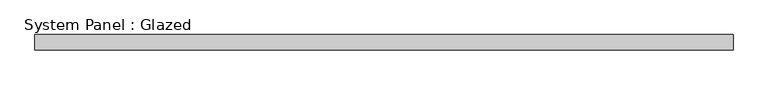
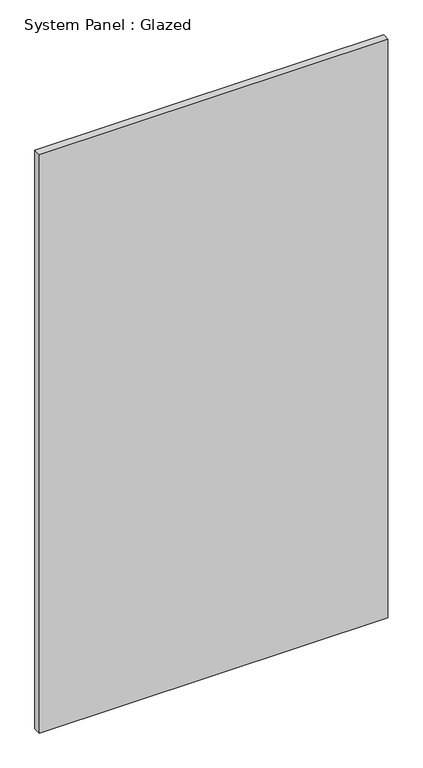
"""IFC4 building model written with IfcOpenShell, lengths in millimetres: plate geometry, System Panel : Glazed."""

from ifc_helpers import new_model, si_unit, origin, origin_with_axes, place, context, project, spatial, polyline, outline, extrude, source, transform, mapped, element, save


def system_panel_glazed_54db1ad0(model_context):
    return source(origin(), model_context, "Body", "SweptSolid", [
        extrude(outline(polyline([(573.2875, 19.05), (-573.2875, 19.05), (-573.2875, 44.45), (573.2875, 44.45), (573.2875, 19.05)])), origin_with_axes(), (0.0, 0.0, 1.0), 2010.7536198),
    ])


if __name__ == "__main__":
    model = new_model("IFC4")
    model_context = context("Model", 3, world=origin())
    ifc_project = project(units=[si_unit("LENGTHUNIT", "METRE", prefix="MILLI")], contexts=[model_context])
    site = spatial("IfcSite", under=ifc_project)
    building = spatial("IfcBuilding", under=site)
    placement = place(None, origin())
    system_panel_glazed_shape = system_panel_glazed_54db1ad0(model_context)
    element("IfcPlate", 1, ObjectType="System Panel : Glazed", at=placement, inside=building, context=model_context, shape_type="MappedRepresentation", body=[
        mapped(system_panel_glazed_shape, transform((0.0, 0.0, 0.0), x_axis=(1.0, 0.0, 0.0), y_axis=(0.0, 1.0, 0.0), z_axis=(0.0, 0.0, 1.0))),
    ])
    save(model, "model.ifc")
